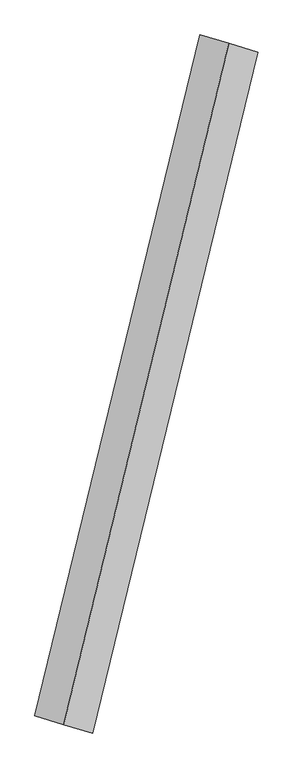
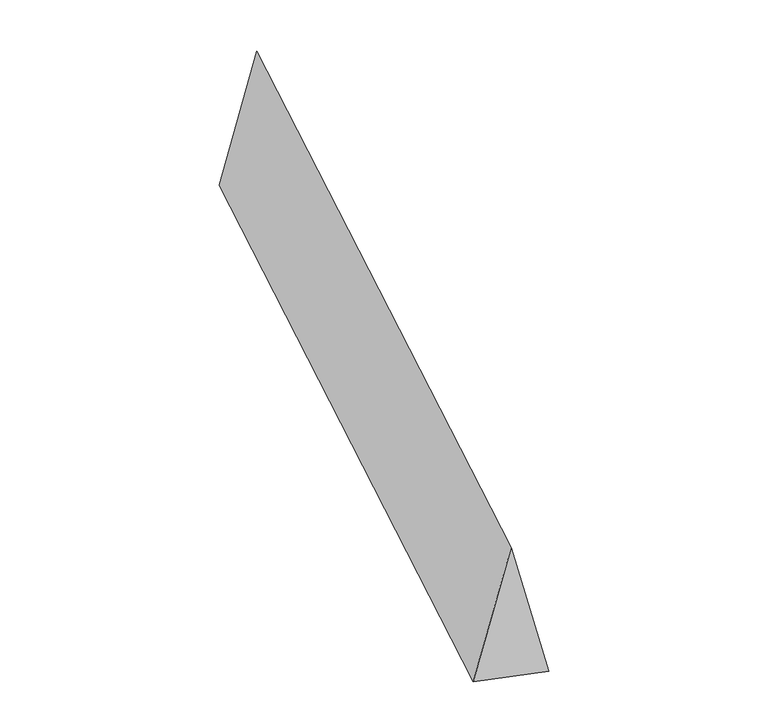
"""IFC4 building model written with IfcOpenShell, lengths in millimetres: proxy geometry."""

from ifc_helpers import new_model, si_unit, origin, place, context, project, spatial, faceted_brep, source, transform, mapped, element, save


def generic_models_c48b9291(model_context):
    return source(origin(), model_context, "Body", "Brep", [
        faceted_brep([(-472.0553951, -1945.9783728, 700.0), (-306.3983352, -1994.8910423, 0.0), (637.712455, 1897.0657033, 0.0), (472.0553951, 1945.9783728, 700.0), (-637.712455, -1897.0657033, 0.0), (306.3983352, 1994.8910423, 0.0)], [[[0, 1, 2, 3]], [[1, 4, 5, 2]], [[4, 0, 3, 5]], [[3, 2, 5]], [[0, 4, 1]]]),
    ])


if __name__ == "__main__":
    model = new_model("IFC4")
    model_context = context("Model", 3, world=origin())
    ifc_project = project(units=[si_unit("LENGTHUNIT", "METRE", prefix="MILLI")], contexts=[model_context])
    site = spatial("IfcSite", under=ifc_project)
    building = spatial("IfcBuilding", under=site)
    placement = place(None, origin())
    generic_models_shape = generic_models_c48b9291(model_context)
    element("IfcBuildingElementProxy", 1, Name="Generic Models", at=placement, inside=building, context=model_context, shape_type="MappedRepresentation", body=[
        mapped(generic_models_shape, transform((0.0, 0.0, 0.0), x_axis=(1.0, 0.0, 0.0), y_axis=(0.0, 1.0, 0.0), z_axis=(0.0, 0.0, 1.0))),
    ])
    save(model, "model.ifc")
